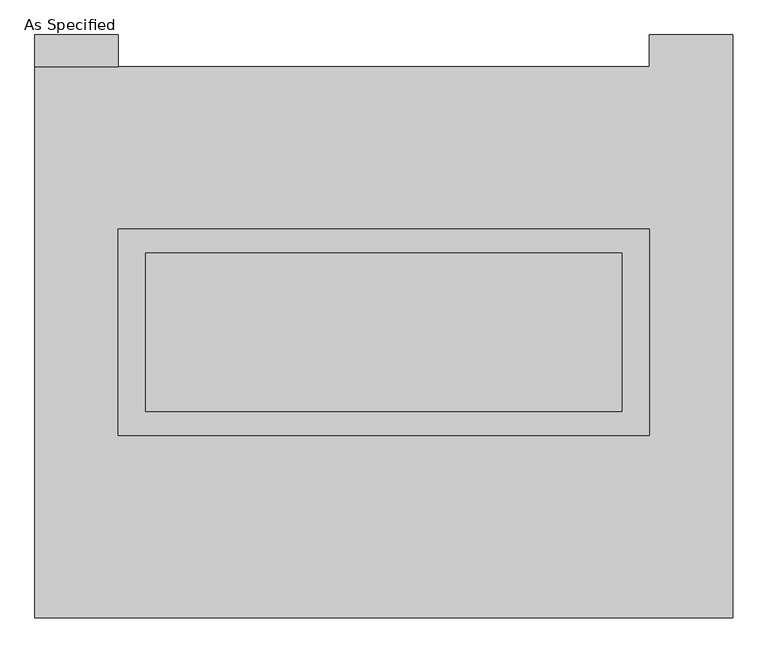
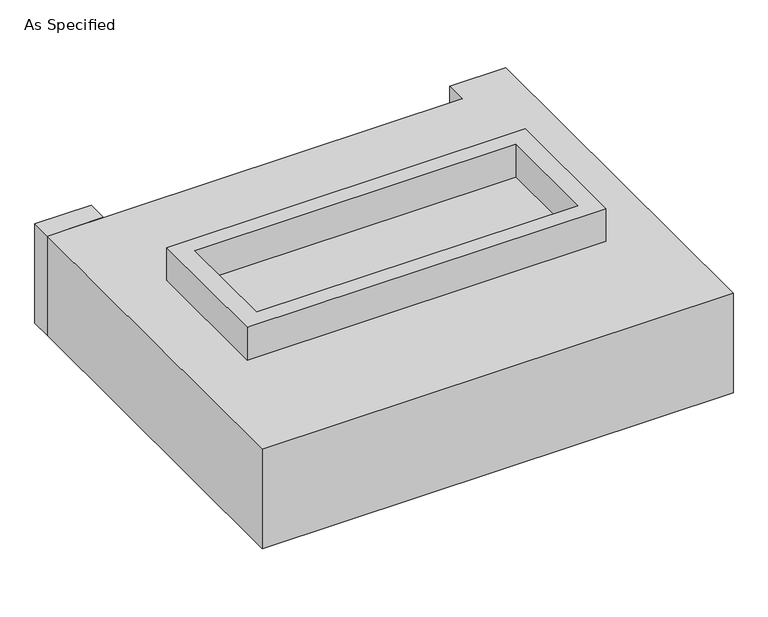
"""IFC4 building model written with IfcOpenShell, lengths in millimetres: proxy geometry, As Specified."""

from ifc_helpers import new_model, si_unit, frame, origin, place, context, project, spatial, polyline, outline, extrude, source, transform, mapped, element, save


def as_specified_0c15d97e(model_context):
    return source(origin(), model_context, "Body", "SweptSolid", [
        extrude(outline(polyline([(850.9, 361.95), (850.9, -298.45), (-850.9, -298.45), (-850.9, 361.95), (850.9, 361.95)]), holes=[polyline([(762.0, 285.75), (-762.0, 285.75), (-762.0, -222.25), (762.0, -222.25), (762.0, 285.75)])]), frame((0.0, 0.0, -688.975), z_axis=(0.0, 0.0, 1.0), x_axis=(1.0, 0.0, 0.0)), (0.0, 0.0, 1.0), 165.1),
        extrude(outline(polyline([(850.9, 361.95), (850.9, -298.45), (-850.9, -298.45), (-850.9, 361.95), (850.9, 361.95)]), holes=[polyline([(762.0, 285.75), (-762.0, 285.75), (-762.0, -222.25), (762.0, -222.25), (762.0, 285.75)])]), frame((0.0, 0.0, -25.4), z_axis=(0.0, 0.0, 1.0), x_axis=(1.0, 0.0, 0.0)), (0.0, 0.0, 1.0), 165.1),
        extrude(outline(polyline([(-850.9, 882.65), (-1117.6, 882.65), (-1117.6, 984.25), (-850.9, 984.25), (-850.9, 882.65)])), frame((0.0, 0.0, -523.875), z_axis=(0.0, 0.0, 1.0), x_axis=(1.0, 0.0, 0.0)), (0.0, 0.0, 1.0), 498.475),
        extrude(outline(polyline([(762.0, 285.75), (762.0, -222.25), (-762.0, -222.25), (-762.0, 285.75), (762.0, 285.75)])), frame((0.0, 0.0, -523.875), z_axis=(0.0, 0.0, 1.0), x_axis=(1.0, 0.0, 0.0)), (0.0, 0.0, 1.0), 4.9609375),
        extrude(outline(polyline([(762.0, 285.75), (762.0, -222.25), (-762.0, -222.25), (-762.0, 285.75), (762.0, 285.75)])), frame((0.0, 0.0, -30.3609375), z_axis=(0.0, 0.0, 1.0), x_axis=(1.0, 0.0, 0.0)), (0.0, 0.0, 1.0), 4.9609375),
        extrude(outline(polyline([(1117.6, -882.65), (-1117.6, -882.65), (-1117.6, 882.65), (850.9, 882.65), (850.9, 984.25), (1117.6, 984.25), (1117.6, -882.65)]), holes=[polyline([(-850.9, 361.95), (-850.9, -298.45), (850.9, -298.45), (850.9, 361.95), (-850.9, 361.95)])]), frame((0.0, 0.0, -523.875), z_axis=(0.0, 0.0, 1.0), x_axis=(1.0, 0.0, 0.0)), (0.0, 0.0, 1.0), 498.475),
    ])


if __name__ == "__main__":
    model = new_model("IFC4")
    model_context = context("Model", 3, world=origin())
    ifc_project = project(units=[si_unit("LENGTHUNIT", "METRE", prefix="MILLI")], contexts=[model_context])
    site = spatial("IfcSite", under=ifc_project)
    building = spatial("IfcBuilding", under=site)
    placement = place(None, origin())
    as_specified_shape = as_specified_0c15d97e(model_context)
    element("IfcBuildingElementProxy", 1, Name="As Specified", ObjectType="As Specified", at=placement, inside=building, context=model_context, shape_type="MappedRepresentation", body=[
        mapped(as_specified_shape, transform((0.0, 0.0, 0.0), x_axis=(1.0, 0.0, 0.0), y_axis=(0.0, 1.0, 0.0), z_axis=(0.0, 0.0, 1.0))),
    ])
    save(model, "model.ifc")
